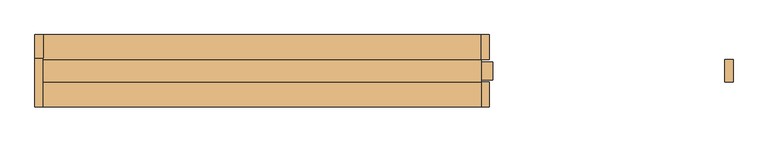
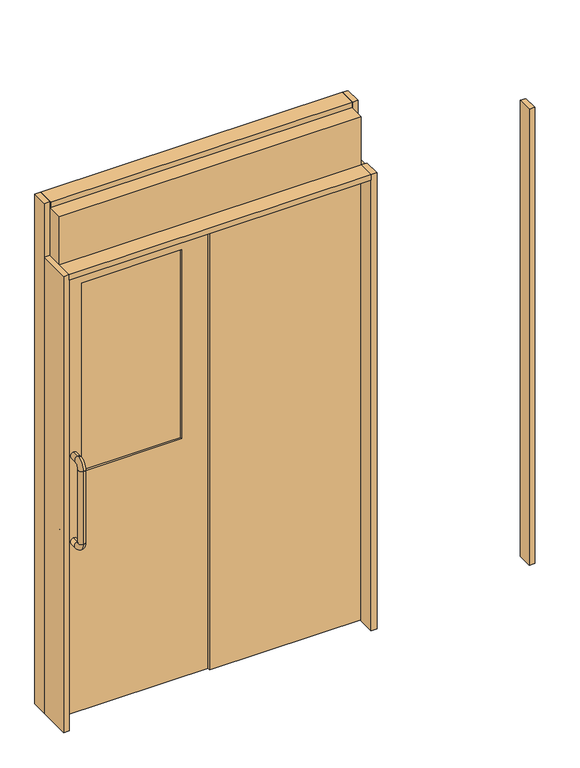
"""IFC4 building model written with IfcOpenShell, lengths in millimetres: door geometry."""

from ifc_helpers import new_model, si_unit, point, frame, origin, origin_with_axes, place, context, project, spatial, polyline, circle_curve, ellipse_curve, trimmed, outline, extrude, source, transform, mapped, element, save
from ifc_brep_helpers import cylinder_surface, revolved_surface, advanced_brep


def door_55b9ad81(model_context):
    return source(origin(), model_context, "Body", "SolidModel", [
        extrude(outline(polyline([(740.0, -2.0), (40.0, -2.0), (40.0, 52.0), (740.0, 52.0), (740.0, -2.0)])), origin_with_axes(), (0.0, 0.0, 1.0), 2100.0),
        advanced_brep(
        [(-550.0, 85.0, 830.0), (-550.0, 70.0, 815.0), (-550.0, 70.0, 785.0), (-550.0, 115.0, 830.0), (-550.0, 115.0, 1170.0), (-550.0, 85.0, 1170.0), (-550.0, 70.0, 1185.0), (-550.0, 70.0, 1215.0), (-550.0, -20.0, 1215.0), (-550.0, -20.0, 1185.0), (-550.0, -35.0, 1170.0), (-550.0, -65.0, 1170.0), (-550.0, -65.0, 830.0), (-550.0, -35.0, 830.0), (-550.0, -20.0, 815.0), (-550.0, -20.0, 785.0)],
        [
            (0, 1, circle_curve(frame((-550.0, 70.0, 830.0), z_axis=(-1.0, 0.0, 0.0), x_axis=(0.0, 0.0, -1.0)), 15.0)),
            (1, 2, circle_curve(frame((-550.0, 70.0, 800.0), z_axis=(0.0, 1.0, 0.0), x_axis=(0.0, 0.0, 1.0)), 15.0)),
            (2, 3, circle_curve(frame((-550.0, 70.0, 830.0), z_axis=(1.0, 0.0, 0.0), x_axis=(0.0, 0.0, -1.0)), 45.0)),
            (3, 0, circle_curve(frame((-550.0, 100.0, 830.0), z_axis=(0.0, 0.0, -1.0), x_axis=(0.0, -1.0, 0.0)), 15.0)),
            (2, 1, circle_curve(frame((-550.0, 70.0, 800.0), z_axis=(0.0, 1.0, 0.0), x_axis=(0.0, 0.0, 1.0)), 15.0)),
            (0, 3, circle_curve(frame((-550.0, 100.0, 830.0), z_axis=(0.0, 0.0, -1.0), x_axis=(0.0, -1.0, 0.0)), 15.0)),
            (3, 4),
            (4, 5, circle_curve(frame((-550.0, 100.0, 1170.0), z_axis=(0.0, 0.0, -1.0), x_axis=(0.0, -1.0, 0.0)), 15.0)),
            (5, 0),
            (5, 4, circle_curve(frame((-550.0, 100.0, 1170.0), z_axis=(0.0, 0.0, -1.0), x_axis=(0.0, -1.0, 0.0)), 15.0)),
            (6, 5, circle_curve(frame((-550.0, 70.0, 1170.0), z_axis=(-1.0, 0.0, 0.0), x_axis=(0.0, 1.0, 0.0)), 15.0)),
            (4, 7, circle_curve(frame((-550.0, 70.0, 1170.0), z_axis=(1.0, 0.0, 0.0), x_axis=(0.0, 1.0, 0.0)), 45.0)),
            (7, 6, circle_curve(frame((-550.0, 70.0, 1200.0), z_axis=(0.0, 1.0, 0.0), x_axis=(0.0, 0.0, -1.0)), 15.0)),
            (6, 7, circle_curve(frame((-550.0, 70.0, 1200.0), z_axis=(0.0, 1.0, 0.0), x_axis=(0.0, 0.0, -1.0)), 15.0)),
            (7, 8),
            (8, 9, circle_curve(frame((-550.0, -20.0, 1200.0), z_axis=(0.0, 1.0, 0.0), x_axis=(0.0, 0.0, -1.0)), 15.0)),
            (9, 6),
            (9, 8, circle_curve(frame((-550.0, -20.0, 1200.0), z_axis=(0.0, 1.0, 0.0), x_axis=(0.0, 0.0, -1.0)), 15.0)),
            (10, 9, circle_curve(frame((-550.0, -20.0, 1170.0), z_axis=(-1.0, 0.0, 0.0), x_axis=(0.0, 0.0, 1.0)), 15.0)),
            (8, 11, circle_curve(frame((-550.0, -20.0, 1170.0), z_axis=(1.0, 0.0, 0.0), x_axis=(0.0, 0.0, 1.0)), 45.0)),
            (11, 10, circle_curve(frame((-550.0, -50.0, 1170.0), z_axis=(0.0, 0.0, 1.0), x_axis=(0.0, 1.0, 0.0)), 15.0)),
            (10, 11, circle_curve(frame((-550.0, -50.0, 1170.0), z_axis=(0.0, 0.0, 1.0), x_axis=(0.0, 1.0, 0.0)), 15.0)),
            (11, 12),
            (12, 13, circle_curve(frame((-550.0, -50.0, 830.0), z_axis=(0.0, 0.0, 1.0), x_axis=(0.0, 1.0, 0.0)), 15.0)),
            (13, 10),
            (13, 12, circle_curve(frame((-550.0, -50.0, 830.0), z_axis=(0.0, 0.0, 1.0), x_axis=(0.0, 1.0, 0.0)), 15.0)),
            (14, 13, circle_curve(frame((-550.0, -20.0, 830.0), z_axis=(-1.0, 0.0, 0.0), x_axis=(0.0, -1.0, 0.0)), 15.0)),
            (12, 15, circle_curve(frame((-550.0, -20.0, 830.0), z_axis=(1.0, 0.0, 0.0), x_axis=(0.0, -1.0, 0.0)), 45.0)),
            (15, 14, circle_curve(frame((-550.0, -20.0, 800.0), z_axis=(0.0, -1.0, 0.0), x_axis=(0.0, 0.0, 1.0)), 15.0)),
            (14, 15, circle_curve(frame((-550.0, -20.0, 800.0), z_axis=(0.0, -1.0, 0.0), x_axis=(0.0, 0.0, 1.0)), 15.0)),
            (15, 2),
            (1, 14),
        ],
        [
            revolved_surface(trimmed(ellipse_curve(frame((-550.0, 70.0, 800.0), z_axis=(0.0, -1.0, 0.0), x_axis=(0.0, 0.0, 1.0)), 15.0, 15.0), [point((-550.0, 70.0, 785.0))], [point((-550.0, 70.0, 815.0))], True, "CARTESIAN"), (-550.0, 70.0, 830.0), (1.0, 0.0, 0.0)),
            revolved_surface(trimmed(ellipse_curve(frame((-550.0, 70.0, 800.0), z_axis=(0.0, -1.0, 0.0), x_axis=(0.0, 0.0, 1.0)), 15.0, 15.0), [point((-550.0, 70.0, 815.0))], [point((-550.0, 70.0, 785.0))], True, "CARTESIAN"), (-550.0, 70.0, 830.0), (1.0, 0.0, 0.0)),
            cylinder_surface(frame((-550.0, 100.0, 830.0), z_axis=(0.0, 0.0, -1.0), x_axis=(0.0, -1.0, 0.0)), 15.0),
            revolved_surface(trimmed(ellipse_curve(frame((-550.0, 100.0, 1170.0), z_axis=(0.0, 0.0, -1.0), x_axis=(0.0, -1.0, 0.0)), 15.0, 15.0), [point((-550.0, 115.0, 1170.0))], [point((-550.0, 85.0, 1170.0))], True, "CARTESIAN"), (-550.0, 70.0, 1170.0), (1.0, 0.0, 0.0)),
            revolved_surface(trimmed(ellipse_curve(frame((-550.0, 100.0, 1170.0), z_axis=(0.0, 0.0, -1.0), x_axis=(0.0, -1.0, 0.0)), 15.0, 15.0), [point((-550.0, 85.0, 1170.0))], [point((-550.0, 115.0, 1170.0))], True, "CARTESIAN"), (-550.0, 70.0, 1170.0), (1.0, 0.0, 0.0)),
            cylinder_surface(frame((-550.0, 70.0, 1200.0), z_axis=(0.0, 1.0, 0.0), x_axis=(0.0, 0.0, -1.0)), 15.0),
            revolved_surface(trimmed(ellipse_curve(frame((-550.0, -20.0, 1200.0), z_axis=(0.0, 1.0, 0.0), x_axis=(0.0, 0.0, -1.0)), 15.0, 15.0), [point((-550.0, -20.0, 1215.0))], [point((-550.0, -20.0, 1185.0))], True, "CARTESIAN"), (-550.0, -20.0, 1170.0), (1.0, 0.0, 0.0)),
            revolved_surface(trimmed(ellipse_curve(frame((-550.0, -20.0, 1200.0), z_axis=(0.0, 1.0, 0.0), x_axis=(0.0, 0.0, -1.0)), 15.0, 15.0), [point((-550.0, -20.0, 1185.0))], [point((-550.0, -20.0, 1215.0))], True, "CARTESIAN"), (-550.0, -20.0, 1170.0), (1.0, 0.0, 0.0)),
            cylinder_surface(frame((-550.0, -50.0, 1170.0), z_axis=(0.0, 0.0, 1.0), x_axis=(0.0, 1.0, 0.0)), 15.0),
            revolved_surface(trimmed(ellipse_curve(frame((-550.0, -50.0, 830.0), z_axis=(0.0, 0.0, 1.0), x_axis=(0.0, 1.0, 0.0)), 15.0, 15.0), [point((-550.0, -65.0, 830.0))], [point((-550.0, -35.0, 830.0))], True, "CARTESIAN"), (-550.0, -20.0, 830.0), (1.0, 0.0, 0.0)),
            revolved_surface(trimmed(ellipse_curve(frame((-550.0, -50.0, 830.0), z_axis=(0.0, 0.0, 1.0), x_axis=(0.0, 1.0, 0.0)), 15.0, 15.0), [point((-550.0, -35.0, 830.0))], [point((-550.0, -65.0, 830.0))], True, "CARTESIAN"), (-550.0, -20.0, 830.0), (1.0, 0.0, 0.0)),
            cylinder_surface(frame((-550.0, -20.0, 800.0), z_axis=(0.0, -1.0, 0.0), x_axis=(0.0, 0.0, 1.0)), 15.0),
        ],
        [
            (0, [[1, 2, 3, 4]]),
            (1, [[-3, 5, -1, 6]]),
            (2, [[-4, 7, 8, 9]]),
            (2, [[-6, -9, 10, -7]]),
            (3, [[11, -8, 12, 13]]),
            (4, [[-12, -10, -11, 14]]),
            (5, [[-13, 15, 16, 17]]),
            (5, [[-14, -17, 18, -15]]),
            (6, [[19, -16, 20, 21]]),
            (7, [[-20, -18, -19, 22]]),
            (8, [[-21, 23, 24, 25]]),
            (8, [[-22, -25, 26, -23]]),
            (9, [[27, -24, 28, 29]]),
            (10, [[-28, -26, -27, 30]]),
            (11, [[-29, 31, -2, 32]]),
            (11, [[-30, -32, -5, -31]]),
        ],
    ),
        extrude(outline(polyline([(-75.0, 20.0), (-515.0, 20.0), (-515.0, 30.0), (-75.0, 30.0), (-75.0, 20.0)])), frame((0.0, 0.0, 1110.0), z_axis=(0.0, 0.0, 1.0), x_axis=(1.0, 0.0, 0.0)), (0.0, 0.0, 1.0), 880.0),
        extrude(outline(polyline([(0.0, 75.0), (2100.0, 75.0), (2100.0, -625.0), (0.0, -625.0), (0.0, 75.0)]), holes=[polyline([(1990.0, -75.0), (1110.0, -75.0), (1110.0, -515.0), (1990.0, -515.0), (1990.0, -75.0)])]), frame((0.0, 11.0, 0.0), z_axis=(0.0, 1.0, 0.0), x_axis=(0.0, 0.0, 1.0)), (0.0, 0.0, 1.0), 28.0),
        extrude(outline(polyline([(705.0, 135.0), (705.0, -9.0), (-625.0, -9.0), (-625.0, 135.0), (705.0, 135.0)])), frame((0.0, 0.0, 2100.0), z_axis=(0.0, 0.0, 1.0), x_axis=(1.0, 0.0, 0.0)), (0.0, 0.0, 1.0), 250.0),
        extrude(outline(polyline([(-650.0, 135.0), (-625.0, 135.0), (-625.0, 64.0), (-650.0, 64.0), (-650.0, 135.0)])), origin_with_axes(), (0.0, 0.0, 1.0), 2375.0),
        extrude(outline(polyline([(705.0, 135.0), (730.0, 135.0), (730.0, 59.0), (705.0, 59.0), (705.0, 135.0)])), origin_with_axes(), (0.0, 0.0, 1.0), 2375.0),
        extrude(outline(polyline([(705.0, 135.0), (705.0, 59.0), (-625.0, 59.0), (-625.0, 135.0), (705.0, 135.0)])), frame((0.0, 0.0, 2350.0), z_axis=(0.0, 0.0, 1.0), x_axis=(1.0, 0.0, 0.0)), (0.0, 0.0, 1.0), 25.0),
        extrude(outline(polyline([(705.0, -9.0), (705.0, -85.0), (-625.0, -85.0), (-625.0, -9.0), (705.0, -9.0)])), frame((0.0, 0.0, 2100.0), z_axis=(0.0, 0.0, 1.0), x_axis=(1.0, 0.0, 0.0)), (0.0, 0.0, 1.0), 25.0),
        extrude(outline(polyline([(-650.0, 64.0), (-625.0, 64.0), (-625.0, -85.0), (-650.0, -85.0), (-650.0, 64.0)])), origin_with_axes(), (0.0, 0.0, 1.0), 2125.0),
        extrude(outline(polyline([(705.0, -9.0), (730.0, -9.0), (730.0, -85.0), (705.0, -85.0), (705.0, -9.0)])), origin_with_axes(), (0.0, 0.0, 1.0), 2125.0),
        extrude(outline(polyline([(1445.0, 59.0), (1470.0, 59.0), (1470.0, -9.0), (1445.0, -9.0), (1445.0, 59.0)])), origin_with_axes(), (0.0, 0.0, 1.0), 2125.0),
    ])


if __name__ == "__main__":
    model = new_model("IFC4")
    model_context = context("Model", 3, world=origin())
    ifc_project = project(units=[si_unit("LENGTHUNIT", "METRE", prefix="MILLI")], contexts=[model_context])
    site = spatial("IfcSite", under=ifc_project)
    building = spatial("IfcBuilding", under=site)
    placement = place(None, origin())
    door_shape = door_55b9ad81(model_context)
    element("IfcDoor", 1, at=placement, inside=building, context=model_context, shape_type="MappedRepresentation", body=[
        mapped(door_shape, transform((0.0, 0.0, 0.0), x_axis=(1.0, 0.0, 0.0), y_axis=(0.0, 1.0, 0.0), z_axis=(0.0, 0.0, 1.0))),
    ])
    save(model, "model.ifc")
